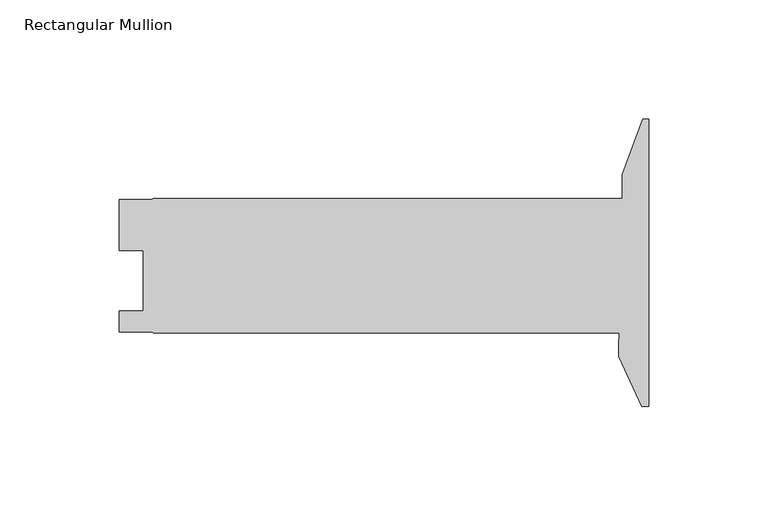
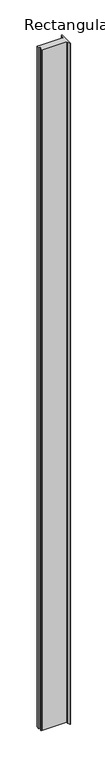
"""IFC4 building model written with IfcOpenShell, lengths in millimetres: member geometry, Rectangular Mullion."""

from ifc_helpers import new_model, si_unit, point, frame, frame_2d, origin, place, context, project, spatial, polyline, circle_curve, trimmed, segment, composite_curve, outline, extrude, source, transform, mapped, element, save


def rectangular_mullion_8baad38c(model_context):
    return source(origin(), model_context, "Body", "SweptSolid", [
        extrude(outline(composite_curve([segment(polyline([(0.0, -103.2129), (-2.8679621, -103.2129), (-12.6987193, -82.130773), (-12.6987193, -77.342873)]), True, "CONTINUOUS"), segment(trimmed(circle_curve(frame_2d((-107.9362636, -69.405373)), 95.5677442), [point((-12.6987193, -77.342873))], [point((-12.4143461, -72.3646))], True, "CARTESIAN"), True, "CONTINUOUS"), segment(polyline([(-12.4143461, -72.3646), (-207.8974784, -72.3646), (-208.5594964, -71.90105), (-222.1849784, -71.90105), (-222.1849784, -63.16345), (-212.1392784, -63.16345), (-212.1392784, -37.76345), (-222.1722782, -37.76345), (-222.1722782, -16.3321999), (-208.6893719, -16.3321999), (-207.8974784, -15.875), (-11.1239193, -15.875), (-11.1239193, -5.9626569), (-2.6070581, 17.437227), (0.0, 17.437227), (0.0, -103.2129)]), True, "CONTINUOUS")], self_intersect=False)), frame((0.0, 0.0, -5888.3197332), z_axis=(0.0, 0.0, 1.0), x_axis=(1.0, 0.0, 0.0)), (0.0, 0.0, 1.0), 5888.3197332),
    ])


if __name__ == "__main__":
    model = new_model("IFC4")
    model_context = context("Model", 3, world=origin())
    ifc_project = project(units=[si_unit("LENGTHUNIT", "METRE", prefix="MILLI")], contexts=[model_context])
    site = spatial("IfcSite", under=ifc_project)
    building = spatial("IfcBuilding", under=site)
    placement = place(None, origin())
    rectangular_mullion_shape = rectangular_mullion_8baad38c(model_context)
    element("IfcMember", 1, ObjectType="Rectangular Mullion", at=placement, inside=building, context=model_context, shape_type="MappedRepresentation", body=[
        mapped(rectangular_mullion_shape, transform((0.0, 0.0, 0.0), x_axis=(1.0, 0.0, 0.0), y_axis=(0.0, 1.0, 0.0), z_axis=(0.0, 0.0, 1.0))),
    ])
    save(model, "model.ifc")
